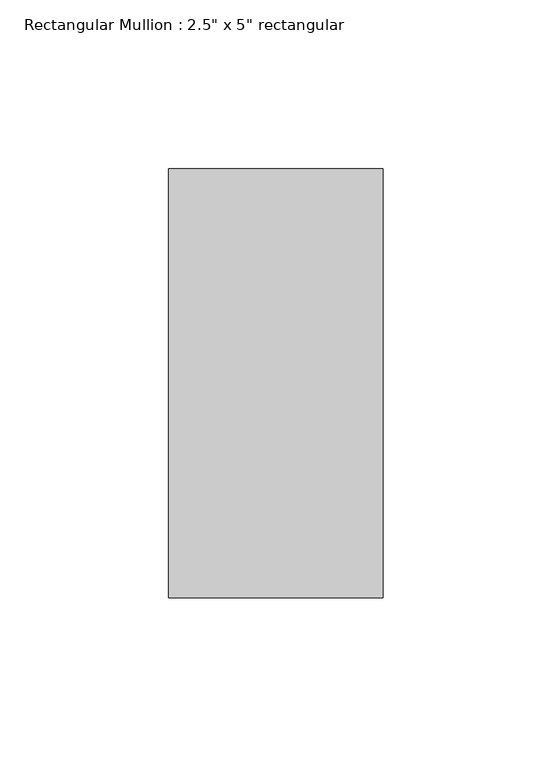
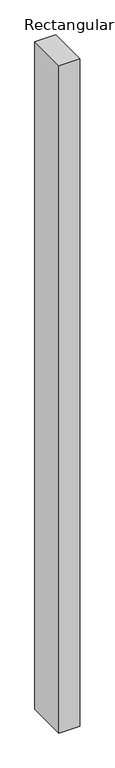
"""IFC4 building model written with IfcOpenShell, lengths in millimetres: member geometry."""

from ifc_helpers import new_model, si_unit, frame, origin, place, context, project, spatial, polyline, outline, extrude, source, transform, mapped, element, save


def member_c08f7e50(model_context):
    return source(origin(), model_context, "Body", "SweptSolid", [
        extrude(outline(polyline([(0.0, 63.5), (0.0, -63.5), (-63.5, -63.5), (-63.5, 63.5), (0.0, 63.5)])), frame((0.0, 0.0, -2159.0), z_axis=(0.0, 0.0, 1.0), x_axis=(1.0, 0.0, 0.0)), (0.0, 0.0, 1.0), 2159.0),
    ])


if __name__ == "__main__":
    model = new_model("IFC4")
    model_context = context("Model", 3, world=origin())
    ifc_project = project(units=[si_unit("LENGTHUNIT", "METRE", prefix="MILLI")], contexts=[model_context])
    site = spatial("IfcSite", under=ifc_project)
    building = spatial("IfcBuilding", under=site)
    placement = place(None, origin())
    member_shape = member_c08f7e50(model_context)
    element("IfcMember", 1, ObjectType="Rectangular Mullion : 2.5\" x 5\" rectangular", at=placement, inside=building, context=model_context, shape_type="MappedRepresentation", body=[
        mapped(member_shape, transform((0.0, 0.0, 0.0), x_axis=(1.0, 0.0, 0.0), y_axis=(0.0, 1.0, 0.0), z_axis=(0.0, 0.0, 1.0))),
    ])
    save(model, "model.ifc")
